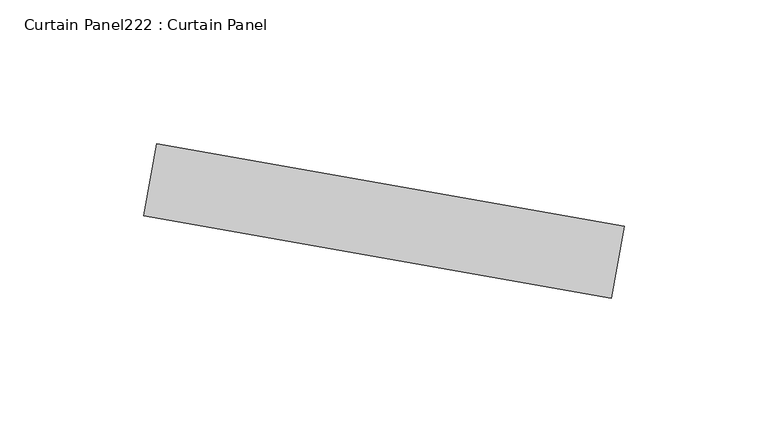
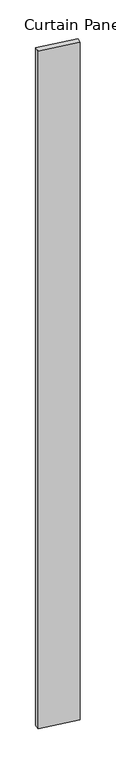
"""IFC4 building model written with IfcOpenShell, lengths in millimetres: plate geometry, Curtain Panel222 : Curtain Panel."""

from ifc_helpers import new_model, si_unit, frame, origin, place, context, project, spatial, polyline, outline, extrude, source, transform, mapped, element, save


def curtain_panel222_curtain_panel_36c698c1(model_context):
    return source(origin(), model_context, "Body", "SweptSolid", [
        extrude(outline(polyline([(629609.9788322, 2354.1235451), (629772.5705923, 2325.454231), (629768.1599286, 2300.440114), (629605.5681685, 2329.1094282), (629609.9788322, 2354.1235451)])), frame((0.0, 0.0, 4959.7989371), z_axis=(0.0, 0.0, 1.0), x_axis=(1.0, 0.0, 0.0)), (0.0, 0.0, 1.0), 3048.0),
    ])


if __name__ == "__main__":
    model = new_model("IFC4")
    model_context = context("Model", 3, world=origin())
    ifc_project = project(units=[si_unit("LENGTHUNIT", "METRE", prefix="MILLI")], contexts=[model_context])
    site = spatial("IfcSite", under=ifc_project)
    building = spatial("IfcBuilding", under=site)
    placement = place(None, origin())
    curtain_panel222_curtain_panel_shape = curtain_panel222_curtain_panel_36c698c1(model_context)
    element("IfcPlate", 1, ObjectType="Curtain Panel222 : Curtain Panel", at=placement, inside=building, context=model_context, shape_type="MappedRepresentation", body=[
        mapped(curtain_panel222_curtain_panel_shape, transform((0.0, 0.0, 0.0), x_axis=(1.0, 0.0, 0.0), y_axis=(0.0, 1.0, 0.0), z_axis=(0.0, 0.0, 1.0))),
    ])
    save(model, "model.ifc")
